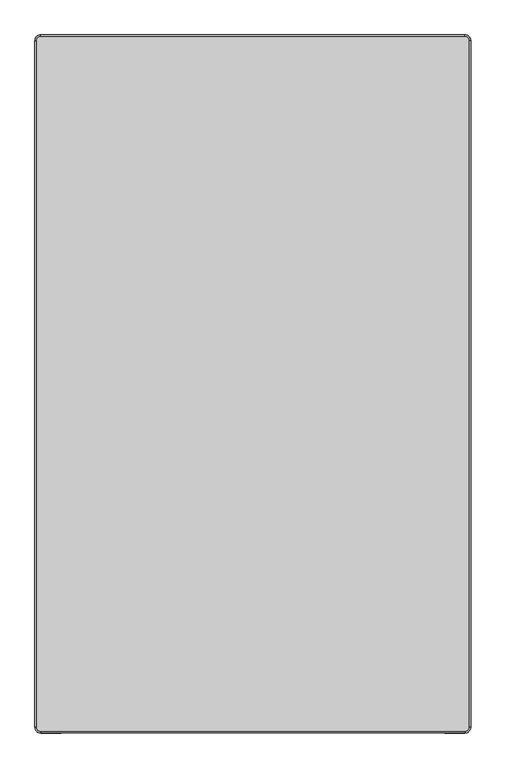
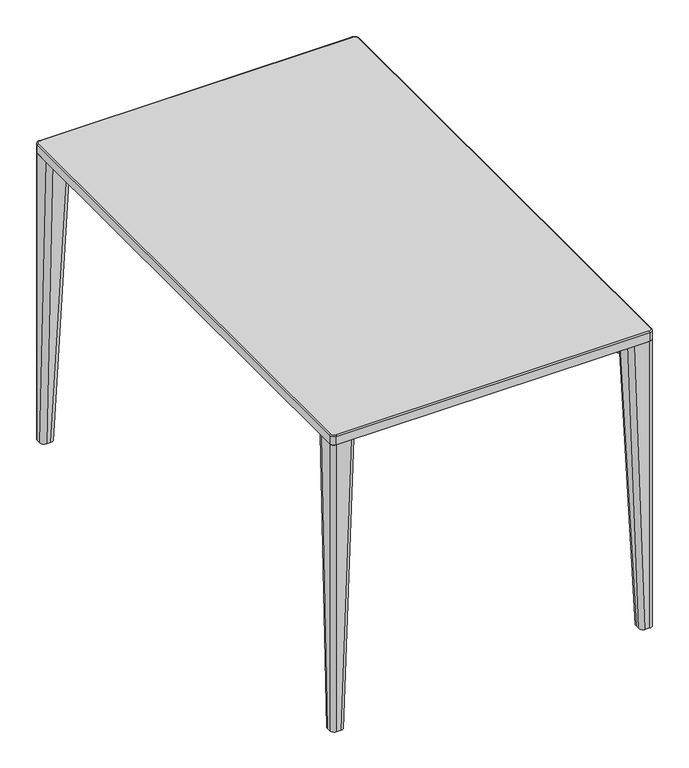
"""IFC4 building model written with IfcOpenShell, lengths in millimetres: furniture geometry."""

from ifc_helpers import new_model, si_unit, point, frame, frame_2d, origin, place, context, project, spatial, polyline, circle_curve, ellipse_curve, trimmed, segment, composite_curve, outline, extrude, source, transform, mapped, element, save
from ifc_brep_helpers import plane_surface, cylinder_surface, revolved_surface, extruded_surface, advanced_brep


def furniture_a2f94743(model_context):
    return source(origin(), model_context, "Body", "SolidModel", [
        advanced_brep(
        [(-372.0, -590.0, 730.0), (-365.0, -597.0, 730.0), (365.0, -597.0, 730.0), (372.0, -590.0, 730.0), (372.0, 590.0, 730.0), (365.0, 597.0, 730.0), (-365.0, 597.0, 730.0), (-372.0, 590.0, 730.0), (365.0, 600.0, 707.0), (375.0, 590.0, 707.0), (375.0, -590.0, 707.0), (365.0, -600.0, 707.0), (-365.0, -600.0, 707.0), (-375.0, -590.0, 707.0), (-375.0, 590.0, 707.0), (-365.0, 600.0, 707.0), (-230.0, -440.0, 707.0), (-350.0, -440.0, 707.0), (-365.0, -455.0, 707.0), (-365.0, -575.0, 707.0), (-350.0, -590.0, 707.0), (-230.0, -590.0, 707.0), (-215.0, -575.0, 707.0), (-215.0, -455.0, 707.0), (230.0, -440.0, 707.0), (215.0, -455.0, 707.0), (215.0, -575.0, 707.0), (230.0, -590.0, 707.0), (350.0, -590.0, 707.0), (365.0, -575.0, 707.0), (365.0, -455.0, 707.0), (350.0, -440.0, 707.0), (-230.0, 440.0, 707.0), (-215.0, 455.0, 707.0), (-215.0, 575.0, 707.0), (-230.0, 590.0, 707.0), (-350.0, 590.0, 707.0), (-365.0, 575.0, 707.0), (-365.0, 455.0, 707.0), (-350.0, 440.0, 707.0), (230.0, 440.0, 707.0), (350.0, 440.0, 707.0), (365.0, 455.0, 707.0), (365.0, 575.0, 707.0), (350.0, 590.0, 707.0), (230.0, 590.0, 707.0), (215.0, 575.0, 707.0), (215.0, 455.0, 707.0), (-365.0, 600.0, 727.0), (365.0, 600.0, 727.0), (-375.0, -590.0, 727.0000024), (-375.0, 590.0, 727.0), (365.0, -600.0, 727.0), (-365.0, -600.0, 727.0), (375.0, 590.0, 727.0), (375.0, -590.0, 727.0), (-230.0, -440.0, 710.5), (-215.0, -455.0, 710.5), (-215.0, -575.0, 710.5), (-230.0, -590.0, 710.5), (-350.0, -590.0, 710.5), (-365.0, -575.0, 710.5), (-365.0, -455.0, 710.5), (-350.0, -440.0, 710.5), (230.0, -440.0, 710.5), (350.0, -440.0, 710.5), (365.0, -455.0, 710.5), (365.0, -575.0, 710.5), (350.0, -590.0, 710.5), (230.0, -590.0, 710.5), (215.0, -575.0, 710.5), (215.0, -455.0, 710.5), (-230.0, 440.0, 710.5), (-350.0, 440.0, 710.5), (-365.0, 455.0, 710.5), (-365.0, 575.0, 710.5), (-350.0, 590.0, 710.5), (-230.0, 590.0, 710.5), (-215.0, 575.0, 710.5), (-215.0, 455.0, 710.5), (230.0, 440.0, 710.5), (215.0, 455.0, 710.5), (215.0, 575.0, 710.5), (230.0, 590.0, 710.5), (350.0, 590.0, 710.5), (365.0, 575.0, 710.5), (365.0, 455.0, 710.5), (350.0, 440.0, 710.5)],
        [
            (0, 1, circle_curve(frame((-365.0, -590.0, 730.0), z_axis=(0.0, 0.0, 1.0), x_axis=(-1.0, 0.0, 0.0)), 7.0)),
            (1, 2),
            (2, 3, circle_curve(frame((365.0, -590.0, 730.0), z_axis=(0.0, 0.0, 1.0), x_axis=(0.0, -1.0, 0.0)), 7.0)),
            (3, 4),
            (4, 5, circle_curve(frame((365.0, 590.0, 730.0), z_axis=(0.0, 0.0, 1.0), x_axis=(1.0, 0.0, 0.0)), 7.0)),
            (5, 6),
            (6, 7, circle_curve(frame((-365.0, 590.0, 730.0), z_axis=(0.0, 0.0, 1.0), x_axis=(0.0, 1.0, 0.0)), 7.0)),
            (7, 0),
            (8, 9, circle_curve(frame((365.0, 590.0, 707.0), z_axis=(0.0, 0.0, -1.0), x_axis=(1.0, 0.0, 0.0)), 10.0)),
            (9, 10),
            (10, 11, circle_curve(frame((365.0, -590.0, 707.0), z_axis=(0.0, 0.0, -1.0), x_axis=(1.0, 0.0, 0.0)), 10.0)),
            (11, 12),
            (12, 13, circle_curve(frame((-365.0, -590.0, 707.0), z_axis=(0.0, 0.0, -1.0), x_axis=(1.0, 0.0, 0.0)), 10.0)),
            (13, 14),
            (14, 15, circle_curve(frame((-365.0, 590.0, 707.0), z_axis=(0.0, 0.0, -1.0), x_axis=(1.0, 0.0, 0.0)), 10.0)),
            (15, 8),
            (16, 17),
            (17, 18, circle_curve(frame((-350.0, -455.0, 707.0), z_axis=(0.0, 0.0, 1.0), x_axis=(-0.7071067811866044, 0.7071067811864906, 0.0)), 15.0)),
            (18, 19),
            (19, 20, circle_curve(frame((-350.0, -575.0, 707.0), z_axis=(0.0, 0.0, 1.0), x_axis=(-0.7071067811866044, 0.7071067811864906, 0.0)), 15.0)),
            (20, 21),
            (21, 22, circle_curve(frame((-230.0, -575.0, 707.0), z_axis=(0.0, 0.0, 1.0), x_axis=(-0.7071067811866044, 0.7071067811864906, 0.0)), 15.0)),
            (22, 23),
            (23, 16, circle_curve(frame((-230.0, -455.0, 707.0), z_axis=(0.0, 0.0, 1.0), x_axis=(-0.7071067811866044, 0.7071067811864906, 0.0)), 15.0)),
            (24, 25, circle_curve(frame((230.0, -455.0, 707.0), z_axis=(0.0, 0.0, 1.0), x_axis=(-0.7071067811866044, 0.7071067811864906, 0.0)), 15.0)),
            (25, 26),
            (26, 27, circle_curve(frame((230.0, -575.0, 707.0), z_axis=(0.0, 0.0, 1.0), x_axis=(-0.7071067811866044, 0.7071067811864906, 0.0)), 15.0)),
            (27, 28),
            (28, 29, circle_curve(frame((350.0, -575.0, 707.0), z_axis=(0.0, 0.0, 1.0), x_axis=(-0.7071067811866044, 0.7071067811864906, 0.0)), 15.0)),
            (29, 30),
            (30, 31, circle_curve(frame((350.0, -455.0, 707.0), z_axis=(0.0, 0.0, 1.0), x_axis=(-0.7071067811866044, 0.7071067811864906, 0.0)), 15.0)),
            (31, 24),
            (32, 33, circle_curve(frame((-230.0, 455.0, 707.0), z_axis=(0.0, 0.0, 1.0), x_axis=(-0.7071067811866044, 0.7071067811864906, 0.0)), 15.0)),
            (33, 34),
            (34, 35, circle_curve(frame((-230.0, 575.0, 707.0), z_axis=(0.0, 0.0, 1.0), x_axis=(-0.7071067811866044, 0.7071067811864906, 0.0)), 15.0)),
            (35, 36),
            (36, 37, circle_curve(frame((-350.0, 575.0, 707.0), z_axis=(0.0, 0.0, 1.0), x_axis=(-0.7071067811866044, 0.7071067811864906, 0.0)), 15.0)),
            (37, 38),
            (38, 39, circle_curve(frame((-350.0, 455.0, 707.0), z_axis=(0.0, 0.0, 1.0), x_axis=(-0.7071067811866044, 0.7071067811864906, 0.0)), 15.0)),
            (39, 32),
            (40, 41),
            (41, 42, circle_curve(frame((350.0, 455.0, 707.0), z_axis=(0.0, 0.0, 1.0), x_axis=(-0.7071067811866044, 0.7071067811864906, 0.0)), 15.0)),
            (42, 43),
            (43, 44, circle_curve(frame((350.0, 575.0, 707.0), z_axis=(0.0, 0.0, 1.0), x_axis=(-0.7071067811866044, 0.7071067811864906, 0.0)), 15.0)),
            (44, 45),
            (45, 46, circle_curve(frame((230.0, 575.0, 707.0), z_axis=(0.0, 0.0, 1.0), x_axis=(-0.7071067811866044, 0.7071067811864906, 0.0)), 15.0)),
            (46, 47),
            (47, 40, circle_curve(frame((230.0, 455.0, 707.0), z_axis=(0.0, 0.0, 1.0), x_axis=(-0.7071067811866044, 0.7071067811864906, 0.0)), 15.0)),
            (15, 48),
            (48, 49),
            (49, 8),
            (13, 50),
            (50, 51),
            (51, 14),
            (11, 52),
            (52, 53),
            (53, 12),
            (9, 54),
            (54, 55),
            (55, 10),
            (51, 48, circle_curve(frame((-365.0, 590.0, 727.0), z_axis=(0.0, 0.0, -1.0), x_axis=(1.0, 0.0, 0.0)), 10.0)),
            (53, 50, circle_curve(frame((-365.0, -590.0, 727.0), z_axis=(0.0, 0.0, -1.0), x_axis=(1.0, 0.0, 0.0)), 10.0)),
            (55, 52, circle_curve(frame((365.0, -590.0, 727.0), z_axis=(0.0, 0.0, -1.0), x_axis=(1.0, 0.0, 0.0)), 10.0)),
            (49, 54, circle_curve(frame((365.0, 590.0, 727.0), z_axis=(0.0, 0.0, -1.0), x_axis=(1.0, 0.0, 0.0)), 10.0)),
            (53, 1, circle_curve(frame((-365.0, -597.0, 727.0), z_axis=(-1.0, 0.0, 0.0), x_axis=(0.0, 1.0, 0.0)), 3.0)),
            (0, 50, circle_curve(frame((-372.0, -590.0, 727.0), z_axis=(0.0, -1.0, 0.0), x_axis=(1.0, 0.0, 0.0)), 3.0)),
            (52, 2, circle_curve(frame((365.0, -597.0, 727.0), z_axis=(-1.0, 0.0, 0.0), x_axis=(0.0, 1.0, 0.0)), 3.0)),
            (55, 3, circle_curve(frame((372.0, -590.0, 727.0), z_axis=(0.0, -1.0, 0.0), x_axis=(-1.0, 0.0, 0.0)), 3.0)),
            (54, 4, circle_curve(frame((372.0, 590.0, 727.0), z_axis=(0.0, -1.0, 0.0), x_axis=(-1.0, 0.0, 0.0)), 3.0)),
            (49, 5, circle_curve(frame((365.0, 597.0, 727.0), z_axis=(1.0, 0.0, 0.0), x_axis=(0.0, -1.0, 0.0)), 3.0)),
            (48, 6, circle_curve(frame((-365.0, 597.0, 727.0), z_axis=(1.0, 0.0, 0.0), x_axis=(0.0, -1.0, 0.0)), 3.0)),
            (51, 7, circle_curve(frame((-372.0, 590.0, 727.0), z_axis=(0.0, 1.0, 0.0), x_axis=(1.0, 0.0, 0.0)), 3.0)),
            (56, 57, circle_curve(frame((-230.0, -455.0, 710.5), z_axis=(0.0, 0.0, -1.0), x_axis=(-0.7071067811866044, 0.7071067811864906, 0.0)), 15.0)),
            (57, 58),
            (58, 59, circle_curve(frame((-230.0, -575.0, 710.5), z_axis=(0.0, 0.0, -1.0), x_axis=(-0.7071067811866044, 0.7071067811864906, 0.0)), 15.0)),
            (59, 60),
            (60, 61, circle_curve(frame((-350.0, -575.0, 710.5), z_axis=(0.0, 0.0, -1.0), x_axis=(-0.7071067811866044, 0.7071067811864906, 0.0)), 15.0)),
            (61, 62),
            (62, 63, circle_curve(frame((-350.0, -455.0, 710.5), z_axis=(0.0, 0.0, -1.0), x_axis=(-0.7071067811866044, 0.7071067811864906, 0.0)), 15.0)),
            (63, 56),
            (64, 65),
            (65, 66, circle_curve(frame((350.0, -455.0, 710.5), z_axis=(0.0, 0.0, -1.0), x_axis=(-0.7071067811866044, 0.7071067811864906, 0.0)), 15.0)),
            (66, 67),
            (67, 68, circle_curve(frame((350.0, -575.0, 710.5), z_axis=(0.0, 0.0, -1.0), x_axis=(-0.7071067811866044, 0.7071067811864906, 0.0)), 15.0)),
            (68, 69),
            (69, 70, circle_curve(frame((230.0, -575.0, 710.5), z_axis=(0.0, 0.0, -1.0), x_axis=(-0.7071067811866044, 0.7071067811864906, 0.0)), 15.0)),
            (70, 71),
            (71, 64, circle_curve(frame((230.0, -455.0, 710.5), z_axis=(0.0, 0.0, -1.0), x_axis=(-0.7071067811866044, 0.7071067811864906, 0.0)), 15.0)),
            (72, 73),
            (73, 74, circle_curve(frame((-350.0, 455.0, 710.5), z_axis=(0.0, 0.0, -1.0), x_axis=(-0.7071067811866044, 0.7071067811864906, 0.0)), 15.0)),
            (74, 75),
            (75, 76, circle_curve(frame((-350.0, 575.0, 710.5), z_axis=(0.0, 0.0, -1.0), x_axis=(-0.7071067811866044, 0.7071067811864906, 0.0)), 15.0)),
            (76, 77),
            (77, 78, circle_curve(frame((-230.0, 575.0, 710.5), z_axis=(0.0, 0.0, -1.0), x_axis=(-0.7071067811866044, 0.7071067811864906, 0.0)), 15.0)),
            (78, 79),
            (79, 72, circle_curve(frame((-230.0, 455.0, 710.5), z_axis=(0.0, 0.0, -1.0), x_axis=(-0.7071067811866044, 0.7071067811864906, 0.0)), 15.0)),
            (80, 81, circle_curve(frame((230.0, 455.0, 710.5), z_axis=(0.0, 0.0, -1.0), x_axis=(-0.7071067811866044, 0.7071067811864906, 0.0)), 15.0)),
            (81, 82),
            (82, 83, circle_curve(frame((230.0, 575.0, 710.5), z_axis=(0.0, 0.0, -1.0), x_axis=(-0.7071067811866044, 0.7071067811864906, 0.0)), 15.0)),
            (83, 84),
            (84, 85, circle_curve(frame((350.0, 575.0, 710.5), z_axis=(0.0, 0.0, -1.0), x_axis=(-0.7071067811866044, 0.7071067811864906, 0.0)), 15.0)),
            (85, 86),
            (86, 87, circle_curve(frame((350.0, 455.0, 710.5), z_axis=(0.0, 0.0, -1.0), x_axis=(-0.7071067811866044, 0.7071067811864906, 0.0)), 15.0)),
            (87, 80),
            (63, 17),
            (16, 56),
            (62, 18),
            (61, 19),
            (60, 20),
            (59, 21),
            (58, 22),
            (57, 23),
            (71, 25),
            (24, 64),
            (70, 26),
            (69, 27),
            (68, 28),
            (67, 29),
            (66, 30),
            (65, 31),
            (79, 33),
            (32, 72),
            (78, 34),
            (77, 35),
            (76, 36),
            (75, 37),
            (74, 38),
            (73, 39),
            (87, 41),
            (40, 80),
            (86, 42),
            (85, 43),
            (84, 44),
            (83, 45),
            (82, 46),
            (81, 47),
        ],
        [
            plane_surface(frame((-250.0, 600.0, 730.0), z_axis=(0.0, 0.0, 1.0), x_axis=(-1.0, 0.0, 0.0))),
            plane_surface(frame((-250.0, 600.0, 707.0), z_axis=(0.0, 0.0, -1.0), x_axis=(1.0, 0.0, 0.0))),
            plane_surface(frame((365.0, 600.0, 730.0), z_axis=(0.0, 1.0, 0.0), x_axis=(0.0, 0.0, -1.0))),
            plane_surface(frame((-375.0, 590.0, 730.0), z_axis=(-1.0, 0.0, 0.0), x_axis=(0.0, 0.0, -1.0))),
            plane_surface(frame((-365.0, -600.0, 730.0), z_axis=(0.0, -1.0, 0.0), x_axis=(0.0, 0.0, -1.0))),
            plane_surface(frame((375.0, -590.0, 730.0), z_axis=(1.0, 0.0, 0.0), x_axis=(0.0, 0.0, -1.0))),
            cylinder_surface(frame((-365.0, 590.0, 707.0), z_axis=(0.0, 0.0, 1.0), x_axis=(1.0, 0.0, 0.0)), 10.0),
            cylinder_surface(frame((-365.0, -590.0, 707.0), z_axis=(0.0, 0.0, 1.0), x_axis=(1.0, 0.0, 0.0)), 10.0),
            cylinder_surface(frame((365.0, -590.0, 707.0), z_axis=(0.0, 0.0, 1.0), x_axis=(1.0, 0.0, 0.0)), 10.0),
            cylinder_surface(frame((365.0, 590.0, 707.0), z_axis=(0.0, 0.0, 1.0), x_axis=(1.0, 0.0, 0.0)), 10.0),
            revolved_surface(trimmed(ellipse_curve(frame((-372.0, -590.0, 727.0), z_axis=(0.0, 1.0, 0.0), x_axis=(1.0, 0.0, 0.0)), 3.0, 3.0), [point((-375.0, -590.0, 727.0))], [point((-372.0, -590.0, 730.0))], True, "CARTESIAN"), (-365.0, -590.0, 212.565852), (0.0, 0.0, 1.0)),
            cylinder_surface(frame((-365.0, -597.0, 727.0), z_axis=(1.0, 0.0, 0.0), x_axis=(0.0, 1.0, 0.0)), 3.0),
            revolved_surface(trimmed(ellipse_curve(frame((365.0, -597.0, 727.0), z_axis=(-1.0, 0.0, 0.0), x_axis=(0.0, 1.0, 0.0)), 3.0, 3.0), [point((365.0, -600.0, 727.0))], [point((365.0, -597.0, 730.0))], True, "CARTESIAN"), (365.0, -590.0, 212.565852), (0.0, 0.0, 1.0)),
            cylinder_surface(frame((372.0, -590.0, 727.0), z_axis=(0.0, 1.0, 0.0), x_axis=(-1.0, 0.0, 0.0)), 3.0),
            revolved_surface(trimmed(ellipse_curve(frame((372.0, 590.0, 727.0), z_axis=(0.0, -1.0, 0.0), x_axis=(-1.0, 0.0, 0.0)), 3.0, 3.0), [point((375.0, 590.0, 727.0))], [point((372.0, 590.0, 730.0))], True, "CARTESIAN"), (365.0, 590.0, 212.565852), (0.0, 0.0, 1.0)),
            cylinder_surface(frame((365.0, 597.0, 727.0), z_axis=(-1.0, 0.0, 0.0), x_axis=(0.0, -1.0, 0.0)), 3.0),
            revolved_surface(trimmed(ellipse_curve(frame((-365.0, 597.0, 727.0), z_axis=(1.0, 0.0, 0.0), x_axis=(0.0, -1.0, 0.0)), 3.0, 3.0), [point((-365.0, 600.0, 727.0))], [point((-365.0, 597.0, 730.0))], True, "CARTESIAN"), (-365.0, 590.0, 212.565852), (0.0, 0.0, 1.0)),
            cylinder_surface(frame((-372.0, 590.0, 727.0), z_axis=(0.0, -1.0, 0.0), x_axis=(1.0, 0.0, 0.0)), 3.0),
            plane_surface(frame((-325.0, -440.0, 710.5), z_axis=(0.0, 0.0, -1.0), x_axis=(-1.0, 0.0, 0.0))),
            plane_surface(frame((-230.0, -440.0, 710.5), z_axis=(0.0, -1.0, 0.0), x_axis=(0.0, 0.0, -1.0))),
            revolved_surface(polyline([(-360.6066017177991, -444.39339828220267, 710.5), (-360.6066017177991, -444.39339828220267, 707.0)]), (-350.0, -455.0, 689.2243474), (0.0, 0.0, 1.0)),
            plane_surface(frame((-365.0, -455.0, 710.5), z_axis=(1.0, 0.0, 0.0), x_axis=(0.0, 0.0, -1.0))),
            revolved_surface(polyline([(-360.6066017177991, -564.3933982822026, 710.5), (-360.6066017177991, -564.3933982822026, 707.0)]), (-350.0, -575.0, 689.2243474), (0.0, 0.0, 1.0)),
            plane_surface(frame((-350.0, -590.0, 710.5), z_axis=(0.0, 1.0, 0.0), x_axis=(0.0, 0.0, -1.0))),
            revolved_surface(polyline([(-240.60660171779907, -564.3933982822026, 710.5), (-240.60660171779907, -564.3933982822026, 707.0)]), (-230.0, -575.0, 689.2243474), (0.0, 0.0, 1.0)),
            plane_surface(frame((-215.0, -575.0, 710.5), z_axis=(-1.0, 0.0, 0.0), x_axis=(0.0, 0.0, -1.0))),
            revolved_surface(polyline([(-240.60660171779907, -444.39339828220267, 710.5), (-240.60660171779907, -444.39339828220267, 707.0)]), (-230.0, -455.0, 689.2243474), (0.0, 0.0, 1.0)),
            revolved_surface(polyline([(219.39339828220093, -444.39339828220267, 710.5), (219.39339828220093, -444.39339828220267, 707.0)]), (230.0, -455.0, 7.5), (0.0, 0.0, 1.0)),
            plane_surface(frame((215.0, -455.0, 710.5), z_axis=(1.0, 0.0, 0.0), x_axis=(0.0, 0.0, -1.0))),
            revolved_surface(polyline([(219.39339828220093, -564.3933982822026, 710.5), (219.39339828220093, -564.3933982822026, 707.0)]), (230.0, -575.0, 7.5), (0.0, 0.0, 1.0)),
            plane_surface(frame((230.0, -590.0, 710.5), z_axis=(0.0, 1.0, 0.0), x_axis=(0.0, 0.0, -1.0))),
            revolved_surface(polyline([(339.3933982822009, -564.3933982822026, 710.5), (339.3933982822009, -564.3933982822026, 707.0)]), (350.0, -575.0, 7.5), (0.0, 0.0, 1.0)),
            plane_surface(frame((365.0, -575.0, 710.5), z_axis=(-1.0, 0.0, 0.0), x_axis=(0.0, 0.0, -1.0))),
            revolved_surface(polyline([(339.3933982822009, -444.39339828220267, 710.5), (339.3933982822009, -444.39339828220267, 707.0)]), (350.0, -455.0, 7.5), (0.0, 0.0, 1.0)),
            plane_surface(frame((350.0, -440.0, 710.5), z_axis=(0.0, -1.0, 0.0), x_axis=(0.0, 0.0, -1.0))),
            revolved_surface(polyline([(-240.60660171779907, 465.60660171779733, 710.5), (-240.60660171779907, 465.60660171779733, 707.0)]), (-230.0, 455.0, 7.5), (0.0, 0.0, 1.0)),
            plane_surface(frame((-215.0, 455.0, 710.5), z_axis=(-1.0, 0.0, 0.0), x_axis=(0.0, 0.0, -1.0))),
            revolved_surface(polyline([(-240.60660171779907, 585.6066017177974, 710.5), (-240.60660171779907, 585.6066017177974, 707.0)]), (-230.0, 575.0, 7.5), (0.0, 0.0, 1.0)),
            plane_surface(frame((-230.0, 590.0, 710.5), z_axis=(0.0, -1.0, 0.0), x_axis=(0.0, 0.0, -1.0))),
            revolved_surface(polyline([(-360.6066017177991, 585.6066017177974, 710.5), (-360.6066017177991, 585.6066017177974, 707.0)]), (-350.0, 575.0, 7.5), (0.0, 0.0, 1.0)),
            plane_surface(frame((-365.0, 575.0, 710.5), z_axis=(1.0, 0.0, 0.0), x_axis=(0.0, 0.0, -1.0))),
            revolved_surface(polyline([(-360.6066017177991, 465.60660171779733, 710.5), (-360.6066017177991, 465.60660171779733, 707.0)]), (-350.0, 455.0, 7.5), (0.0, 0.0, 1.0)),
            plane_surface(frame((-350.0, 440.0, 710.5), z_axis=(0.0, 1.0, 0.0), x_axis=(0.0, 0.0, -1.0))),
            plane_surface(frame((230.0, 440.0, 710.5), z_axis=(0.0, 1.0, 0.0), x_axis=(0.0, 0.0, -1.0))),
            revolved_surface(polyline([(339.3933982822009, 465.60660171779733, 710.5), (339.3933982822009, 465.60660171779733, 707.0)]), (350.0, 455.0, 7.5), (0.0, 0.0, 1.0)),
            plane_surface(frame((365.0, 455.0, 710.5), z_axis=(-1.0, 0.0, 0.0), x_axis=(0.0, 0.0, -1.0))),
            revolved_surface(polyline([(339.3933982822009, 585.6066017177974, 710.5), (339.3933982822009, 585.6066017177974, 707.0)]), (350.0, 575.0, 7.5), (0.0, 0.0, 1.0)),
            plane_surface(frame((350.0, 590.0, 710.5), z_axis=(0.0, -1.0, 0.0), x_axis=(0.0, 0.0, -1.0))),
            revolved_surface(polyline([(219.39339828220093, 585.6066017177974, 710.5), (219.39339828220093, 585.6066017177974, 707.0)]), (230.0, 575.0, 7.5), (0.0, 0.0, 1.0)),
            plane_surface(frame((215.0, 575.0, 710.5), z_axis=(1.0, 0.0, 0.0), x_axis=(0.0, 0.0, -1.0))),
            revolved_surface(polyline([(219.39339828220093, 465.60660171779733, 710.5), (219.39339828220093, 465.60660171779733, 707.0)]), (230.0, 455.0, 7.5), (0.0, 0.0, 1.0)),
        ],
        [
            (0, [[1, 2, 3, 4, 5, 6, 7, 8]]),
            (1, [[9, 10, 11, 12, 13, 14, 15, 16], [17, 18, 19, 20, 21, 22, 23, 24], [25, 26, 27, 28, 29, 30, 31, 32], [33, 34, 35, 36, 37, 38, 39, 40], [41, 42, 43, 44, 45, 46, 47, 48]]),
            (2, [[-16, 49, 50, 51]]),
            (3, [[-14, 52, 53, 54]]),
            (4, [[-12, 55, 56, 57]]),
            (5, [[-10, 58, 59, 60]]),
            (6, [[-15, -54, 61, -49]]),
            (7, [[-13, -57, 62, -52]]),
            (8, [[-11, -60, 63, -55]]),
            (9, [[-9, -51, 64, -58]]),
            (10, [[65, -1, 66, -62]]),
            (11, [[-65, -56, 67, -2]]),
            (12, [[-67, -63, 68, -3]]),
            (13, [[-68, -59, 69, -4]]),
            (14, [[-69, -64, 70, -5]]),
            (15, [[-70, -50, 71, -6]]),
            (16, [[-71, -61, 72, -7]]),
            (17, [[-66, -8, -72, -53]]),
            (18, [[73, 74, 75, 76, 77, 78, 79, 80]]),
            (18, [[81, 82, 83, 84, 85, 86, 87, 88]]),
            (18, [[89, 90, 91, 92, 93, 94, 95, 96]]),
            (18, [[97, 98, 99, 100, 101, 102, 103, 104]]),
            (19, [[-80, 105, -17, 106]]),
            (20, [[-79, 107, -18, -105]]),
            (21, [[-78, 108, -19, -107]]),
            (22, [[-77, 109, -20, -108]]),
            (23, [[-76, 110, -21, -109]]),
            (24, [[-75, 111, -22, -110]]),
            (25, [[-74, 112, -23, -111]]),
            (26, [[-73, -106, -24, -112]]),
            (27, [[-88, 113, -25, 114]]),
            (28, [[-87, 115, -26, -113]]),
            (29, [[-86, 116, -27, -115]]),
            (30, [[-85, 117, -28, -116]]),
            (31, [[-84, 118, -29, -117]]),
            (32, [[-83, 119, -30, -118]]),
            (33, [[-82, 120, -31, -119]]),
            (34, [[-81, -114, -32, -120]]),
            (35, [[-96, 121, -33, 122]]),
            (36, [[-95, 123, -34, -121]]),
            (37, [[-94, 124, -35, -123]]),
            (38, [[-93, 125, -36, -124]]),
            (39, [[-92, 126, -37, -125]]),
            (40, [[-91, 127, -38, -126]]),
            (41, [[-90, 128, -39, -127]]),
            (42, [[-89, -122, -40, -128]]),
            (43, [[-104, 129, -41, 130]]),
            (44, [[-103, 131, -42, -129]]),
            (45, [[-102, 132, -43, -131]]),
            (46, [[-101, 133, -44, -132]]),
            (47, [[-100, 134, -45, -133]]),
            (48, [[-99, 135, -46, -134]]),
            (49, [[-98, 136, -47, -135]]),
            (50, [[-97, -130, -48, -136]]),
        ],
    ),
        advanced_brep(
        [(365.0000055, 545.0356915, 707.0), (375.0000055, 555.0356915, 707.0), (375.0000055, 590.0356915, 707.0), (365.0000055, 600.0356915, 707.0), (330.0356915, 600.0356915, 707.0), (320.0356915, 590.0356915, 707.0), (320.0356915, 555.0356915, 707.0), (330.0356915, 545.0356915, 707.0), (365.0000055, 569.9286171, 0.0), (354.9286169, 569.9286171, 0.0), (344.9286169, 579.9286171, 0.0), (344.9286169, 590.0356915, 0.0), (354.9286169, 600.0356915, 0.0), (365.0000055, 600.0356915, 0.0), (375.0000055, 590.0356915, 0.0), (375.0000055, 579.9286171, 0.0)],
        [
            (0, 1, circle_curve(frame((365.0000055, 555.0356915, 707.0), z_axis=(0.0, 0.0, 1.0), x_axis=(-1.0, 0.0, 0.0)), 10.0)),
            (1, 2),
            (2, 3, circle_curve(frame((365.0000055, 590.0356915, 707.0), z_axis=(0.0, 0.0, 1.0), x_axis=(0.0, 1.0, 0.0)), 10.0)),
            (3, 4),
            (4, 5, circle_curve(frame((330.0356915, 590.0356915, 707.0), z_axis=(0.0, 0.0, 1.0), x_axis=(-1.0, 0.0, 0.0)), 10.0)),
            (5, 6),
            (6, 7, circle_curve(frame((330.0356915, 555.0356915, 707.0), z_axis=(0.0, 0.0, 1.0), x_axis=(-1.0, 0.0, 0.0)), 10.0)),
            (7, 0),
            (8, 9),
            (9, 10, circle_curve(frame((354.9286169, 579.9286171, 0.0), z_axis=(0.0, 0.0, -1.0), x_axis=(-1.0, 0.0, 0.0)), 10.0)),
            (10, 11),
            (11, 12, circle_curve(frame((354.9286169, 590.0356915, 0.0), z_axis=(0.0, 0.0, -1.0), x_axis=(-1.0, 0.0, 0.0)), 10.0)),
            (12, 13),
            (13, 14, circle_curve(frame((365.0000055, 590.0356915, 0.0), z_axis=(0.0, 0.0, -1.0), x_axis=(0.0, 1.0, 0.0)), 10.0)),
            (14, 15),
            (15, 8, circle_curve(frame((365.0000055, 579.9286171, 0.0), z_axis=(0.0, 0.0, -1.0), x_axis=(-1.0, 0.0, 0.0)), 10.0)),
            (15, 1),
            (0, 8),
            (14, 2),
            (13, 3),
            (12, 4),
            (11, 5),
            (9, 7),
            (6, 10),
        ],
        [
            plane_surface(frame((347.5178485, 572.5356915, 707.0), z_axis=(0.0, 0.0, 1.0), x_axis=(1.0, 0.0, 0.0))),
            plane_surface(frame((359.9643112, 584.9821543, 0.0), z_axis=(0.0, 0.0, -1.0), x_axis=(1.0, 0.0, 0.0))),
            extruded_surface(trimmed(circle_curve(frame((365.0000055, 579.9286171, 0.0), z_axis=(0.0, 0.0, 1.0), x_axis=(-1.0, 0.0, 0.0)), 10.0), [point((365.0000055, 569.9286171, 0.0))], [point((375.0000055, 579.9286171, 0.0))], True, "CARTESIAN"), (0.0, -24.892925600000012, 707.0), 707.4380946379175),
            plane_surface(frame((375.0000055, 584.9821543, 0.0), z_axis=(1.0, 0.0, 0.0), x_axis=(0.0, 1.0, 0.0))),
            cylinder_surface(frame((365.0000055, 590.0356915, 0.0), z_axis=(0.0, 0.0, 1.0), x_axis=(0.0, 1.0, 0.0)), 10.0),
            plane_surface(frame((359.9643112, 600.0356915, 0.0), z_axis=(0.0, 1.0, 0.0), x_axis=(-1.0, 0.0, 0.0))),
            extruded_surface(trimmed(circle_curve(frame((354.9286169, 590.0356915, 0.0), z_axis=(0.0, 0.0, 1.0), x_axis=(-1.0, 0.0, 0.0)), 10.0), [point((354.9286169, 600.0356915, 0.0))], [point((344.9286169, 590.0356915, 0.0))], True, "CARTESIAN"), (-24.892925400000024, 0.0, 707.0), 707.4380946308801),
            extruded_surface(trimmed(circle_curve(frame((354.9286169, 579.9286171, 0.0), z_axis=(0.0, 0.0, 1.0), x_axis=(-1.0, 0.0, 0.0)), 10.0), [point((344.9286169, 579.9286171, 0.0))], [point((354.9286169, 569.9286171, 0.0))], True, "CARTESIAN"), (-24.892925400000024, -24.892925600000012, 707.0), 707.8759181381275),
            plane_surface(frame((359.9643112, 569.9286171, 0.0), z_axis=(0.0, -0.999380730780297, -0.03518742595075023), x_axis=(1.0, 0.0, 0.0))),
            plane_surface(frame((344.9286169, 584.9821543, 0.0), z_axis=(-0.9993807307883155, 0.0, -0.035187425723012825), x_axis=(0.0, -1.0, 0.0))),
        ],
        [
            (0, [[1, 2, 3, 4, 5, 6, 7, 8]]),
            (1, [[9, 10, 11, 12, 13, 14, 15, 16]]),
            (2, [[-16, 17, -1, 18]]),
            (3, [[-15, 19, -2, -17]]),
            (4, [[-14, 20, -3, -19]]),
            (5, [[-13, 21, -4, -20]]),
            (6, [[-12, 22, -5, -21]]),
            (7, [[-10, 23, -7, 24]]),
            (8, [[-9, -18, -8, -23]]),
            (9, [[-11, -24, -6, -22]]),
        ],
    ),
        extrude(outline(composite_curve([segment(polyline([(-8.2207438, 0.0), (9.7379156, -5.5739147), (-4.0458607, -49.9840207), (-152.5023794, -3.9068632), (-151.7265313, -1.4071494)]), True, "CONTINUOUS"), segment(trimmed(circle_curve(frame_2d((-149.8164193, -1.9999999)), 2.0), [point((-151.7265313, -1.4071494))], [point((-149.8164194, 1e-07))], False, "CARTESIAN"), True, "CONTINUOUS"), segment(polyline([(-149.8164194, 1e-07), (-8.2207438, 0.0)]), True, "CONTINUOUS")], self_intersect=False)), frame((332.1766448, 553.6411109, 658.0631636), z_axis=(-0.7071067811865487, 0.7071067811865465, 0.0), x_axis=(0.6753266037234035, 0.6753266037234056, -0.2964252968402385)), (0.0, 0.0, 1.0), 5.0),
        extrude(outline(composite_curve([segment(trimmed(circle_curve(frame_2d((230.0, 455.0)), 15.0), [point((230.0, 440.0))], [point((215.0, 455.0))], False, "CARTESIAN"), True, "CONTINUOUS"), segment(polyline([(215.0, 455.0), (215.0, 575.0)]), True, "CONTINUOUS"), segment(trimmed(circle_curve(frame_2d((230.0, 575.0)), 15.0), [point((215.0, 575.0))], [point((230.0, 590.0))], False, "CARTESIAN"), True, "CONTINUOUS"), segment(polyline([(230.0, 590.0), (350.0, 590.0)]), True, "CONTINUOUS"), segment(trimmed(circle_curve(frame_2d((350.0, 575.0)), 15.0), [point((350.0, 590.0))], [point((365.0, 575.0))], False, "CARTESIAN"), True, "CONTINUOUS"), segment(polyline([(365.0, 575.0), (365.0, 455.0)]), True, "CONTINUOUS"), segment(trimmed(circle_curve(frame_2d((350.0, 455.0)), 15.0), [point((365.0, 455.0))], [point((350.0, 440.0))], False, "CARTESIAN"), True, "CONTINUOUS"), segment(polyline([(350.0, 440.0), (230.0, 440.0)]), True, "CONTINUOUS")], self_intersect=False)), frame((0.0, 0.0, 707.0), z_axis=(0.0, 0.0, 1.0), x_axis=(1.0, 0.0, 0.0)), (0.0, 0.0, 1.0), 3.5),
        advanced_brep(
        [(-365.0000055, 545.0356915, 707.0), (-330.0356915, 545.0356915, 707.0), (-320.0356915, 555.0356915, 707.0), (-320.0356915, 590.0356915, 707.0), (-330.0356915, 600.0356915, 707.0), (-365.0000055, 600.0356915, 707.0), (-375.0000055, 590.0356915, 707.0), (-375.0000055, 555.0356915, 707.0), (-365.0000055, 569.9286171, 0.0), (-375.0000055, 579.9286171, 0.0), (-375.0000055, 590.0356915, 0.0), (-365.0000055, 600.0356915, 0.0), (-354.9286169, 600.0356915, 0.0), (-344.9286169, 590.0356915, 0.0), (-344.9286169, 579.9286171, 0.0), (-354.9286169, 569.9286171, 0.0)],
        [
            (0, 1),
            (1, 2, circle_curve(frame((-330.0356915, 555.0356915, 707.0), z_axis=(0.0, 0.0, 1.0), x_axis=(1.0, 0.0, 0.0)), 10.0)),
            (2, 3),
            (3, 4, circle_curve(frame((-330.0356915, 590.0356915, 707.0), z_axis=(0.0, 0.0, 1.0), x_axis=(1.0, 0.0, 0.0)), 10.0)),
            (4, 5),
            (5, 6, circle_curve(frame((-365.0000055, 590.0356915, 707.0), z_axis=(0.0, 0.0, 1.0), x_axis=(-1.0, 0.0, 0.0)), 10.0)),
            (6, 7),
            (7, 0, circle_curve(frame((-365.0000055, 555.0356915, 707.0), z_axis=(0.0, 0.0, 1.0), x_axis=(1.0, 0.0, 0.0)), 10.0)),
            (8, 9, circle_curve(frame((-365.0000055, 579.9286171, 0.0), z_axis=(0.0, 0.0, -1.0), x_axis=(1.0, 0.0, 0.0)), 10.0)),
            (9, 10),
            (10, 11, circle_curve(frame((-365.0000055, 590.0356915, 0.0), z_axis=(0.0, 0.0, -1.0), x_axis=(-1.0, 0.0, 0.0)), 10.0)),
            (11, 12),
            (12, 13, circle_curve(frame((-354.9286169, 590.0356915, 0.0), z_axis=(0.0, 0.0, -1.0), x_axis=(1.0, 0.0, 0.0)), 10.0)),
            (13, 14),
            (14, 15, circle_curve(frame((-354.9286169, 579.9286171, 0.0), z_axis=(0.0, 0.0, -1.0), x_axis=(1.0, 0.0, 0.0)), 10.0)),
            (15, 8),
            (8, 0),
            (7, 9),
            (6, 10),
            (5, 11),
            (4, 12),
            (3, 13),
            (14, 2),
            (1, 15),
        ],
        [
            plane_surface(frame((-347.5178485, 572.5356915, 707.0), z_axis=(0.0, 0.0, 1.0), x_axis=(1.0, 0.0, 0.0))),
            plane_surface(frame((-359.9643112, 584.9821543, 0.0), z_axis=(0.0, 0.0, -1.0), x_axis=(1.0, 0.0, 0.0))),
            extruded_surface(trimmed(circle_curve(frame((-365.0000055, 579.9286171, 0.0), z_axis=(0.0, 0.0, 1.0), x_axis=(1.0, 0.0, 0.0)), 10.0), [point((-375.0000055, 579.9286171, 0.0))], [point((-365.0000055, 569.9286171, 0.0))], True, "CARTESIAN"), (0.0, -24.892925600000012, 707.0), 707.4380946379175),
            plane_surface(frame((-375.0000055, 584.9821543, 0.0), z_axis=(-1.0, 0.0, 0.0), x_axis=(0.0, -1.0, 0.0))),
            cylinder_surface(frame((-365.0000055, 590.0356915, 0.0), z_axis=(0.0, 0.0, 1.0), x_axis=(-1.0, 0.0, 0.0)), 10.0),
            plane_surface(frame((-359.9643112, 600.0356915, 0.0), z_axis=(0.0, 1.0, 0.0), x_axis=(-1.0, 0.0, 0.0))),
            extruded_surface(trimmed(circle_curve(frame((-354.9286169, 590.0356915, 0.0), z_axis=(0.0, 0.0, 1.0), x_axis=(1.0, 0.0, 0.0)), 10.0), [point((-344.9286169, 590.0356915, 0.0))], [point((-354.9286169, 600.0356915, 0.0))], True, "CARTESIAN"), (24.892925400000024, 0.0, 707.0), 707.4380946308801),
            extruded_surface(trimmed(circle_curve(frame((-354.9286169, 579.9286171, 0.0), z_axis=(0.0, 0.0, 1.0), x_axis=(1.0, 0.0, 0.0)), 10.0), [point((-354.9286169, 569.9286171, 0.0))], [point((-344.9286169, 579.9286171, 0.0))], True, "CARTESIAN"), (24.892925400000024, -24.892925600000012, 707.0), 707.8759181381275),
            plane_surface(frame((-359.9643112, 569.9286171, 0.0), z_axis=(0.0, -0.999380730780297, -0.03518742595075023), x_axis=(1.0, 0.0, 0.0))),
            plane_surface(frame((-344.9286169, 584.9821543, 0.0), z_axis=(0.9993807307883155, 0.0, -0.035187425723012825), x_axis=(0.0, 1.0, 0.0))),
        ],
        [
            (0, [[1, 2, 3, 4, 5, 6, 7, 8]]),
            (1, [[9, 10, 11, 12, 13, 14, 15, 16]]),
            (2, [[-9, 17, -8, 18]]),
            (3, [[-10, -18, -7, 19]]),
            (4, [[-11, -19, -6, 20]]),
            (5, [[-12, -20, -5, 21]]),
            (6, [[-13, -21, -4, 22]]),
            (7, [[-15, 23, -2, 24]]),
            (8, [[-16, -24, -1, -17]]),
            (9, [[-14, -22, -3, -23]]),
        ],
    ),
        extrude(outline(composite_curve([segment(polyline([(18.8037755, 0.0), (154.035581, -41.9725401)]), True, "CONTINUOUS"), segment(trimmed(circle_curve(frame_2d((153.4427304, -43.8826522)), 2.0), [point((154.035581, -41.9725401))], [point((155.4427303, -43.8826522))], False, "CARTESIAN"), True, "CONTINUOUS"), segment(polyline([(155.4427303, -43.8826522), (155.4427303, -46.5), (0.0, -46.5), (0.0, 0.0), (18.8037755, 0.0)]), True, "CONTINUOUS")], self_intersect=False)), frame((-339.921235, 561.3857011, 660.5), z_axis=(0.7071067811865487, 0.7071067811865464, 0.0), x_axis=(0.7071067811865464, -0.7071067811865487, 0.0)), (0.0, 0.0, 1.0), 5.0),
        extrude(outline(composite_curve([segment(polyline([(-230.0, 440.0), (-350.0, 440.0)]), True, "CONTINUOUS"), segment(trimmed(circle_curve(frame_2d((-350.0, 455.0)), 15.0), [point((-350.0, 440.0))], [point((-365.0, 455.0))], False, "CARTESIAN"), True, "CONTINUOUS"), segment(polyline([(-365.0, 455.0), (-365.0, 575.0)]), True, "CONTINUOUS"), segment(trimmed(circle_curve(frame_2d((-350.0, 575.0)), 15.0), [point((-365.0, 575.0))], [point((-350.0, 590.0))], False, "CARTESIAN"), True, "CONTINUOUS"), segment(polyline([(-350.0, 590.0), (-230.0, 590.0)]), True, "CONTINUOUS"), segment(trimmed(circle_curve(frame_2d((-230.0, 575.0)), 15.0), [point((-230.0, 590.0))], [point((-215.0, 575.0))], False, "CARTESIAN"), True, "CONTINUOUS"), segment(polyline([(-215.0, 575.0), (-215.0, 455.0)]), True, "CONTINUOUS"), segment(trimmed(circle_curve(frame_2d((-230.0, 455.0)), 15.0), [point((-215.0, 455.0))], [point((-230.0, 440.0))], False, "CARTESIAN"), True, "CONTINUOUS")], self_intersect=False)), frame((0.0, 0.0, 707.0), z_axis=(0.0, 0.0, 1.0), x_axis=(1.0, 0.0, 0.0)), (0.0, 0.0, 1.0), 3.5),
        advanced_brep(
        [(365.0000055, -545.0356915, 707.0), (330.0356915, -545.0356915, 707.0), (320.0356915, -555.0356915, 707.0), (320.0356915, -590.0356915, 707.0), (330.0356915, -600.0356915, 707.0), (365.0000055, -600.0356915, 707.0), (375.0000055, -590.0356915, 707.0), (375.0000055, -555.0356915, 707.0), (365.0000055, -569.9286171, 0.0), (375.0000055, -579.9286171, 0.0), (375.0000055, -590.0356915, 0.0), (365.0000055, -600.0356915, 0.0), (354.9286169, -600.0356915, 0.0), (344.9286169, -590.0356915, 0.0), (344.9286169, -579.9286171, 0.0), (354.9286169, -569.9286171, 0.0)],
        [
            (0, 1),
            (1, 2, circle_curve(frame((330.0356915, -555.0356915, 707.0), z_axis=(0.0, 0.0, 1.0), x_axis=(-1.0, 0.0, 0.0)), 10.0)),
            (2, 3),
            (3, 4, circle_curve(frame((330.0356915, -590.0356915, 707.0), z_axis=(0.0, 0.0, 1.0), x_axis=(-1.0, 0.0, 0.0)), 10.0)),
            (4, 5),
            (5, 6, circle_curve(frame((365.0000055, -590.0356915, 707.0), z_axis=(0.0, 0.0, 1.0), x_axis=(1.0, 0.0, 0.0)), 10.0)),
            (6, 7),
            (7, 0, circle_curve(frame((365.0000055, -555.0356915, 707.0), z_axis=(0.0, 0.0, 1.0), x_axis=(-1.0, 0.0, 0.0)), 10.0)),
            (8, 9, circle_curve(frame((365.0000055, -579.9286171, 0.0), z_axis=(0.0, 0.0, -1.0), x_axis=(-1.0, 0.0, 0.0)), 10.0)),
            (9, 10),
            (10, 11, circle_curve(frame((365.0000055, -590.0356915, 0.0), z_axis=(0.0, 0.0, -1.0), x_axis=(1.0, 0.0, 0.0)), 10.0)),
            (11, 12),
            (12, 13, circle_curve(frame((354.9286169, -590.0356915, 0.0), z_axis=(0.0, 0.0, -1.0), x_axis=(-1.0, 0.0, 0.0)), 10.0)),
            (13, 14),
            (14, 15, circle_curve(frame((354.9286169, -579.9286171, 0.0), z_axis=(0.0, 0.0, -1.0), x_axis=(-1.0, 0.0, 0.0)), 10.0)),
            (15, 8),
            (8, 0),
            (7, 9),
            (6, 10),
            (5, 11),
            (4, 12),
            (3, 13),
            (14, 2),
            (1, 15),
        ],
        [
            plane_surface(frame((347.5178485, -572.5356915, 707.0), z_axis=(0.0, 0.0, 1.0), x_axis=(-1.0, 0.0, 0.0))),
            plane_surface(frame((359.9643112, -584.9821543, 0.0), z_axis=(0.0, 0.0, -1.0), x_axis=(-1.0, 0.0, 0.0))),
            extruded_surface(trimmed(circle_curve(frame((365.0000055, -579.9286171, 0.0), z_axis=(0.0, 0.0, 1.0), x_axis=(-1.0, 0.0, 0.0)), 10.0), [point((375.0000055, -579.9286171, 0.0))], [point((365.0000055, -569.9286171, 0.0))], True, "CARTESIAN"), (0.0, 24.892925600000012, 707.0), 707.4380946379175),
            plane_surface(frame((375.0000055, -584.9821543, 0.0), z_axis=(1.0, 0.0, 0.0), x_axis=(0.0, 1.0, 0.0))),
            cylinder_surface(frame((365.0000055, -590.0356915, 0.0), z_axis=(0.0, 0.0, 1.0), x_axis=(1.0, 0.0, 0.0)), 10.0),
            plane_surface(frame((359.9643112, -600.0356915, 0.0), z_axis=(0.0, -1.0, 0.0), x_axis=(1.0, 0.0, 0.0))),
            extruded_surface(trimmed(circle_curve(frame((354.9286169, -590.0356915, 0.0), z_axis=(0.0, 0.0, 1.0), x_axis=(-1.0, 0.0, 0.0)), 10.0), [point((344.9286169, -590.0356915, 0.0))], [point((354.9286169, -600.0356915, 0.0))], True, "CARTESIAN"), (-24.892925400000024, 0.0, 707.0), 707.4380946308801),
            extruded_surface(trimmed(circle_curve(frame((354.9286169, -579.9286171, 0.0), z_axis=(0.0, 0.0, 1.0), x_axis=(-1.0, 0.0, 0.0)), 10.0), [point((354.9286169, -569.9286171, 0.0))], [point((344.9286169, -579.9286171, 0.0))], True, "CARTESIAN"), (-24.892925400000024, 24.892925600000012, 707.0), 707.8759181381275),
            plane_surface(frame((359.9643112, -569.9286171, 0.0), z_axis=(0.0, 0.999380730780297, -0.03518742595075023), x_axis=(-1.0, 0.0, 0.0))),
            plane_surface(frame((344.9286169, -584.9821543, 0.0), z_axis=(-0.9993807307883155, 0.0, -0.035187425723012825), x_axis=(0.0, -1.0, 0.0))),
        ],
        [
            (0, [[1, 2, 3, 4, 5, 6, 7, 8]]),
            (1, [[9, 10, 11, 12, 13, 14, 15, 16]]),
            (2, [[-9, 17, -8, 18]]),
            (3, [[-10, -18, -7, 19]]),
            (4, [[-11, -19, -6, 20]]),
            (5, [[-12, -20, -5, 21]]),
            (6, [[-13, -21, -4, 22]]),
            (7, [[-15, 23, -2, 24]]),
            (8, [[-16, -24, -1, -17]]),
            (9, [[-14, -22, -3, -23]]),
        ],
    ),
        extrude(outline(composite_curve([segment(polyline([(-18.8037755, 0.0), (0.0, 0.0), (0.0, -46.5), (-155.4427303, -46.5), (-155.4427303, -43.8826522)]), True, "CONTINUOUS"), segment(trimmed(circle_curve(frame_2d((-153.4427304, -43.8826522)), 2.0), [point((-155.4427303, -43.8826522))], [point((-154.035581, -41.9725401))], False, "CARTESIAN"), True, "CONTINUOUS"), segment(polyline([(-154.035581, -41.9725401), (-18.8037755, 0.0)]), True, "CONTINUOUS")], self_intersect=False)), frame((336.3857011, -564.921235, 660.5), z_axis=(0.7071067811865487, 0.7071067811865464, 0.0), x_axis=(0.7071067811865464, -0.7071067811865487, 0.0)), (0.0, 0.0, 1.0), 5.0),
        extrude(outline(composite_curve([segment(polyline([(230.0, -440.0), (350.0, -440.0)]), True, "CONTINUOUS"), segment(trimmed(circle_curve(frame_2d((350.0, -455.0)), 15.0), [point((350.0, -440.0))], [point((365.0, -455.0))], False, "CARTESIAN"), True, "CONTINUOUS"), segment(polyline([(365.0, -455.0), (365.0, -575.0)]), True, "CONTINUOUS"), segment(trimmed(circle_curve(frame_2d((350.0, -575.0)), 15.0), [point((365.0, -575.0))], [point((350.0, -590.0))], False, "CARTESIAN"), True, "CONTINUOUS"), segment(polyline([(350.0, -590.0), (230.0, -590.0)]), True, "CONTINUOUS"), segment(trimmed(circle_curve(frame_2d((230.0, -575.0)), 15.0), [point((230.0, -590.0))], [point((215.0, -575.0))], False, "CARTESIAN"), True, "CONTINUOUS"), segment(polyline([(215.0, -575.0), (215.0, -455.0)]), True, "CONTINUOUS"), segment(trimmed(circle_curve(frame_2d((230.0, -455.0)), 15.0), [point((215.0, -455.0))], [point((230.0, -440.0))], False, "CARTESIAN"), True, "CONTINUOUS")], self_intersect=False)), frame((0.0, 0.0, 707.0), z_axis=(0.0, 0.0, 1.0), x_axis=(1.0, 0.0, 0.0)), (0.0, 0.0, 1.0), 3.5),
        advanced_brep(
        [(-365.0000055, -545.0356915, 707.0), (-375.0000055, -555.0356915, 707.0), (-375.0000055, -590.0356915, 707.0), (-365.0000055, -600.0356915, 707.0), (-330.0356915, -600.0356915, 707.0), (-320.0356915, -590.0356915, 707.0), (-320.0356915, -555.0356915, 707.0), (-330.0356915, -545.0356915, 707.0), (-365.0000055, -569.9286171, 0.0), (-354.9286169, -569.9286171, 0.0), (-344.9286169, -579.9286171, 0.0), (-344.9286169, -590.0356915, 0.0), (-354.9286169, -600.0356915, 0.0), (-365.0000055, -600.0356915, 0.0), (-375.0000055, -590.0356915, 0.0), (-375.0000055, -579.9286171, 0.0)],
        [
            (0, 1, circle_curve(frame((-365.0000055, -555.0356915, 707.0), z_axis=(0.0, 0.0, 1.0), x_axis=(1.0, 0.0, 0.0)), 10.0)),
            (1, 2),
            (2, 3, circle_curve(frame((-365.0000055, -590.0356915, 707.0), z_axis=(0.0, 0.0, 1.0), x_axis=(0.0, -1.0, 0.0)), 10.0)),
            (3, 4),
            (4, 5, circle_curve(frame((-330.0356915, -590.0356915, 707.0), z_axis=(0.0, 0.0, 1.0), x_axis=(1.0, 0.0, 0.0)), 10.0)),
            (5, 6),
            (6, 7, circle_curve(frame((-330.0356915, -555.0356915, 707.0), z_axis=(0.0, 0.0, 1.0), x_axis=(1.0, 0.0, 0.0)), 10.0)),
            (7, 0),
            (8, 9),
            (9, 10, circle_curve(frame((-354.9286169, -579.9286171, 0.0), z_axis=(0.0, 0.0, -1.0), x_axis=(1.0, 0.0, 0.0)), 10.0)),
            (10, 11),
            (11, 12, circle_curve(frame((-354.9286169, -590.0356915, 0.0), z_axis=(0.0, 0.0, -1.0), x_axis=(1.0, 0.0, 0.0)), 10.0)),
            (12, 13),
            (13, 14, circle_curve(frame((-365.0000055, -590.0356915, 0.0), z_axis=(0.0, 0.0, -1.0), x_axis=(0.0, -1.0, 0.0)), 10.0)),
            (14, 15),
            (15, 8, circle_curve(frame((-365.0000055, -579.9286171, 0.0), z_axis=(0.0, 0.0, -1.0), x_axis=(1.0, 0.0, 0.0)), 10.0)),
            (15, 1),
            (0, 8),
            (14, 2),
            (13, 3),
            (12, 4),
            (11, 5),
            (9, 7),
            (6, 10),
        ],
        [
            plane_surface(frame((-347.5178485, -572.5356915, 707.0), z_axis=(0.0, 0.0, 1.0), x_axis=(-1.0, 0.0, 0.0))),
            plane_surface(frame((-359.9643112, -584.9821543, 0.0), z_axis=(0.0, 0.0, -1.0), x_axis=(-1.0, 0.0, 0.0))),
            extruded_surface(trimmed(circle_curve(frame((-365.0000055, -579.9286171, 0.0), z_axis=(0.0, 0.0, 1.0), x_axis=(1.0, 0.0, 0.0)), 10.0), [point((-365.0000055, -569.9286171, 0.0))], [point((-375.0000055, -579.9286171, 0.0))], True, "CARTESIAN"), (0.0, 24.892925600000012, 707.0), 707.4380946379175),
            plane_surface(frame((-375.0000055, -584.9821543, 0.0), z_axis=(-1.0, 0.0, 0.0), x_axis=(0.0, -1.0, 0.0))),
            cylinder_surface(frame((-365.0000055, -590.0356915, 0.0), z_axis=(0.0, 0.0, 1.0), x_axis=(0.0, -1.0, 0.0)), 10.0),
            plane_surface(frame((-359.9643112, -600.0356915, 0.0), z_axis=(0.0, -1.0, 0.0), x_axis=(1.0, 0.0, 0.0))),
            extruded_surface(trimmed(circle_curve(frame((-354.9286169, -590.0356915, 0.0), z_axis=(0.0, 0.0, 1.0), x_axis=(1.0, 0.0, 0.0)), 10.0), [point((-354.9286169, -600.0356915, 0.0))], [point((-344.9286169, -590.0356915, 0.0))], True, "CARTESIAN"), (24.892925400000024, 0.0, 707.0), 707.4380946308801),
            extruded_surface(trimmed(circle_curve(frame((-354.9286169, -579.9286171, 0.0), z_axis=(0.0, 0.0, 1.0), x_axis=(1.0, 0.0, 0.0)), 10.0), [point((-344.9286169, -579.9286171, 0.0))], [point((-354.9286169, -569.9286171, 0.0))], True, "CARTESIAN"), (24.892925400000024, 24.892925600000012, 707.0), 707.8759181381275),
            plane_surface(frame((-359.9643112, -569.9286171, 0.0), z_axis=(0.0, 0.999380730780297, -0.03518742595075023), x_axis=(-1.0, 0.0, 0.0))),
            plane_surface(frame((-344.9286169, -584.9821543, 0.0), z_axis=(0.9993807307883155, 0.0, -0.035187425723012825), x_axis=(0.0, 1.0, 0.0))),
        ],
        [
            (0, [[1, 2, 3, 4, 5, 6, 7, 8]]),
            (1, [[9, 10, 11, 12, 13, 14, 15, 16]]),
            (2, [[-16, 17, -1, 18]]),
            (3, [[-15, 19, -2, -17]]),
            (4, [[-14, 20, -3, -19]]),
            (5, [[-13, 21, -4, -20]]),
            (6, [[-12, 22, -5, -21]]),
            (7, [[-10, 23, -7, 24]]),
            (8, [[-9, -18, -8, -23]]),
            (9, [[-11, -24, -6, -22]]),
        ],
    ),
        extrude(outline(composite_curve([segment(polyline([(8.2207438, 0.0), (149.8164194, 1e-07)]), True, "CONTINUOUS"), segment(trimmed(circle_curve(frame_2d((149.8164193, -1.9999999)), 2.0), [point((149.8164194, 1e-07))], [point((151.7265313, -1.4071494))], False, "CARTESIAN"), True, "CONTINUOUS"), segment(polyline([(151.7265313, -1.4071494), (152.5023794, -3.9068632), (4.0458607, -49.9840207), (-9.7379156, -5.5739147), (8.2207438, 0.0)]), True, "CONTINUOUS")], self_intersect=False)), frame((-328.6411109, -557.1766448, 658.0631636), z_axis=(-0.7071067811865486, 0.7071067811865465, 0.0), x_axis=(0.6753266037234036, 0.6753266037234056, 0.29642529684023844)), (0.0, 0.0, 1.0), 5.0),
        extrude(outline(composite_curve([segment(trimmed(circle_curve(frame_2d((-230.0, -455.0)), 15.0), [point((-230.0, -440.0))], [point((-215.0, -455.0))], False, "CARTESIAN"), True, "CONTINUOUS"), segment(polyline([(-215.0, -455.0), (-215.0, -575.0)]), True, "CONTINUOUS"), segment(trimmed(circle_curve(frame_2d((-230.0, -575.0)), 15.0), [point((-215.0, -575.0))], [point((-230.0, -590.0))], False, "CARTESIAN"), True, "CONTINUOUS"), segment(polyline([(-230.0, -590.0), (-350.0, -590.0)]), True, "CONTINUOUS"), segment(trimmed(circle_curve(frame_2d((-350.0, -575.0)), 15.0), [point((-350.0, -590.0))], [point((-365.0, -575.0))], False, "CARTESIAN"), True, "CONTINUOUS"), segment(polyline([(-365.0, -575.0), (-365.0, -455.0)]), True, "CONTINUOUS"), segment(trimmed(circle_curve(frame_2d((-350.0, -455.0)), 15.0), [point((-365.0, -455.0))], [point((-350.0, -440.0))], False, "CARTESIAN"), True, "CONTINUOUS"), segment(polyline([(-350.0, -440.0), (-230.0, -440.0)]), True, "CONTINUOUS")], self_intersect=False)), frame((0.0, 0.0, 707.0), z_axis=(0.0, 0.0, 1.0), x_axis=(1.0, 0.0, 0.0)), (0.0, 0.0, 1.0), 3.5),
    ])


if __name__ == "__main__":
    model = new_model("IFC4")
    model_context = context("Model", 3, world=origin())
    ifc_project = project(units=[si_unit("LENGTHUNIT", "METRE", prefix="MILLI")], contexts=[model_context])
    site = spatial("IfcSite", under=ifc_project)
    building = spatial("IfcBuilding", under=site)
    placement = place(None, origin())
    furniture_shape = furniture_a2f94743(model_context)
    element("IfcFurniture", 1, at=placement, inside=building, context=model_context, shape_type="MappedRepresentation", body=[
        mapped(furniture_shape, transform((0.0, 0.0, 0.0), x_axis=(1.0, 0.0, 0.0), y_axis=(0.0, 1.0, 0.0), z_axis=(0.0, 0.0, 1.0))),
    ])
    save(model, "model.ifc")
